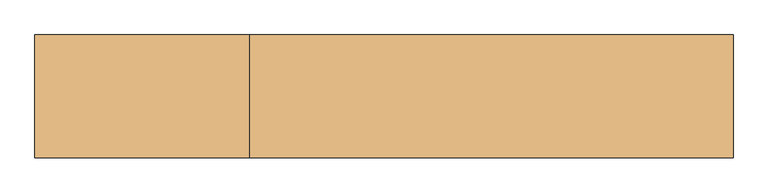
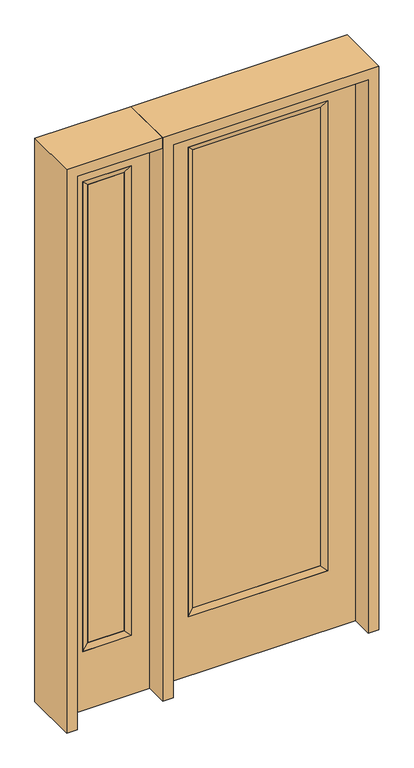
"""IFC4 building model written with IfcOpenShell, lengths in millimetres: door geometry."""

from ifc_helpers import new_model, si_unit, frame, origin, place, context, project, spatial, polyline, outline, extrude, faceted_brep, source, transform, mapped, element, save


def door_08f5ee03(model_context):
    return source(origin(), model_context, "Body", "SolidModel", [
        extrude(outline(polyline([(265.5824, -12.7039749), (-265.5824, -12.7039749), (-265.5824, 14.2875), (265.5824, 14.2875), (265.5824, -12.7039749)])), frame((0.0, 0.0, 285.75), z_axis=(0.0, 0.0, 1.0), x_axis=(1.0, 0.0, 0.0)), (0.0, 0.0, 1.0), 2019.3),
        faceted_brep([(265.5824, 14.2875, 2305.05), (290.9824, 22.225, 2330.45), (290.9824, 22.225, 260.35), (265.5824, 14.2875, 285.75), (290.9824, -22.225, 2330.45), (290.9824, -22.225, 260.35), (-290.9824, 22.225, 260.35), (-265.5824, 14.2875, 285.75), (265.5824, -12.7039749, 2305.05), (265.5824, -12.7039749, 285.75), (-265.5824, -12.7039749, 285.75), (-290.9824, -22.225, 260.35), (-290.9824, 22.225, 2330.45), (-265.5824, 14.2875, 2305.05), (-265.5824, -12.7039749, 2305.05), (-290.9824, -22.225, 2330.45)], [[[0, 1, 2, 3]], [[1, 4, 5, 2]], [[3, 2, 6, 7]], [[8, 0, 3, 9]], [[9, 3, 7, 10]], [[4, 8, 9, 5]], [[5, 9, 10, 11]], [[2, 5, 11, 6]], [[7, 6, 12, 13]], [[10, 7, 13, 14]], [[11, 10, 14, 15]], [[6, 11, 15, 12]], [[13, 12, 1, 0]], [[14, 13, 0, 8]], [[15, 14, 8, 4]], [[12, 15, 4, 1]]]),
        extrude(outline(polyline([(0.0, -406.4), (0.0, 406.4), (2438.4, 406.4), (2438.4, -406.4), (0.0, -406.4)]), holes=[polyline([(260.35, -290.9824), (2330.45, -290.9824), (2330.45, 290.9824), (260.35, 290.9824), (260.35, -290.9824)])]), frame((0.0, -22.225, 0.0), z_axis=(0.0, 1.0, 0.0), x_axis=(0.0, 0.0, 1.0)), (0.0, 0.0, 1.0), 44.45),
        faceted_brep([(-527.05, 20.6375, 2330.45), (-527.05, -20.6375, 2330.45), (-527.05, -20.6375, 260.35), (-527.05, 20.6375, 260.35), (-552.45, -12.7, 2305.05), (-552.45, -12.7, 285.75), (-730.25, -20.6375, 260.35), (-730.25, 20.6375, 260.35), (-552.45, 12.7, 2305.05), (-552.45, 12.7, 285.75), (-704.85, 12.7, 285.75), (-704.85, -12.7, 285.75), (-730.25, -20.6375, 2330.45), (-730.25, 20.6375, 2330.45), (-704.85, 12.7, 2305.05), (-704.85, -12.7, 2305.05)], [[[0, 1, 2, 3]], [[1, 4, 5, 2]], [[3, 2, 6, 7]], [[8, 0, 3, 9]], [[9, 3, 7, 10]], [[4, 8, 9, 5]], [[5, 9, 10, 11]], [[2, 5, 11, 6]], [[7, 6, 12, 13]], [[10, 7, 13, 14]], [[11, 10, 14, 15]], [[6, 11, 15, 12]], [[13, 12, 1, 0]], [[14, 13, 0, 8]], [[15, 14, 8, 4]], [[12, 15, 4, 1]]]),
        extrude(outline(polyline([(0.0, -806.45), (0.0, -450.85), (2438.4, -450.85), (2438.4, -806.45), (0.0, -806.45)]), holes=[polyline([(2330.45, -527.05), (260.35, -527.05), (260.35, -730.25), (2330.45, -730.25), (2330.45, -527.05)])]), frame((0.0, -20.6375, 0.0), z_axis=(0.0, 1.0, 0.0), x_axis=(0.0, 0.0, 1.0)), (0.0, 0.0, 1.0), 41.275),
        extrude(outline(polyline([(-552.45, -12.7), (-704.85, -12.7), (-704.85, 12.7), (-552.45, 12.7), (-552.45, -12.7)])), frame((0.0, 0.0, 284.95625), z_axis=(0.0, 0.0, 1.0), x_axis=(1.0, 0.0, 0.0)), (0.0, 0.0, 1.0), 2020.09375),
        extrude(outline(polyline([(2438.4, -450.85), (2482.85, -450.85), (2482.85, -850.9), (0.0, -850.9), (0.0, -806.45), (2438.4, -806.45), (2438.4, -450.85)])), frame((0.0, -114.3, 0.0), z_axis=(0.0, 1.0, 0.0), x_axis=(0.0, 0.0, 1.0)), (0.0, 0.0, 1.0), 228.6),
        extrude(outline(polyline([(2482.85, -450.85), (0.0, -450.85), (0.0, -406.4), (2438.4, -406.4), (2438.4, 406.4), (0.0, 406.4), (0.0, 450.85), (2482.85, 450.85), (2482.85, -450.85)])), frame((0.0, -114.3, 0.0), z_axis=(0.0, 1.0, 0.0), x_axis=(0.0, 0.0, 1.0)), (0.0, 0.0, 1.0), 228.6),
    ])


if __name__ == "__main__":
    model = new_model("IFC4")
    model_context = context("Model", 3, world=origin())
    ifc_project = project(units=[si_unit("LENGTHUNIT", "METRE", prefix="MILLI")], contexts=[model_context])
    site = spatial("IfcSite", under=ifc_project)
    building = spatial("IfcBuilding", under=site)
    placement = place(None, origin())
    door_shape = door_08f5ee03(model_context)
    element("IfcDoor", 1, at=placement, inside=building, context=model_context, shape_type="MappedRepresentation", body=[
        mapped(door_shape, transform((0.0, 0.0, 0.0), x_axis=(1.0, 0.0, 0.0), y_axis=(0.0, 1.0, 0.0), z_axis=(0.0, 0.0, 1.0))),
    ])
    save(model, "model.ifc")
